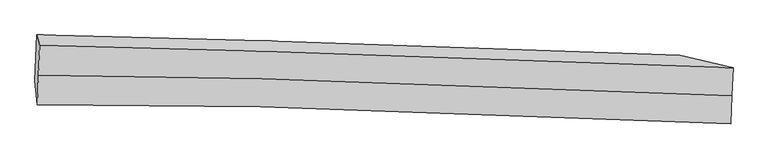
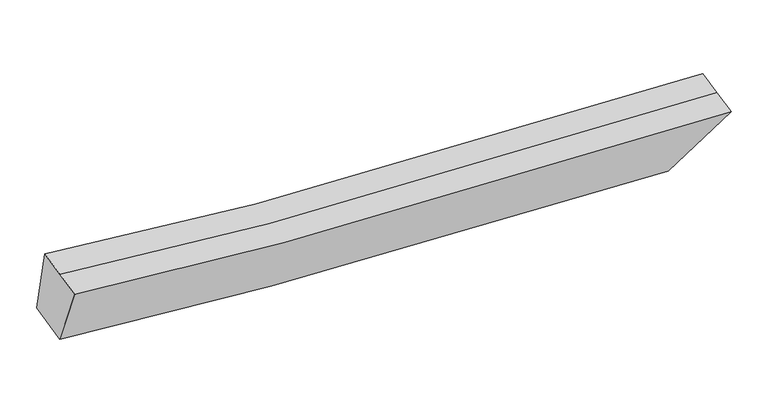
"""IFC4 building model written with IfcOpenShell, lengths in millimetres: proxy geometry."""

from ifc_helpers import new_model, si_unit, frame, origin, place, context, project, spatial, source, transform, mapped, element, save
from ifc_brep_helpers import plane_surface, spline_curve, spline_surface, advanced_brep


def generic_models_a07c6cf4(model_context):
    return source(origin(), model_context, "Body", "AdvancedBrep", [
        advanced_brep(
        [(-2752.6415755, -2039.1648853, 3536.5847514), (-2765.1178626, -2358.047794, 3488.144786), (4639.8819685, -2558.2460395, 3237.7411033), (4651.5852089, -2259.1215211, 3283.1796668), (-2790.8930889, -2099.1620744, 2799.9153134), (4076.7411727, -2289.3925473, 2547.3392186), (-2771.7955435, -1611.0456355, 2874.0627284), (4094.7274283, -1829.6796951, 2617.1719817), (-2740.1652885, -1720.2819767, 3585.0247167), (4663.2884494, -1959.9970028, 3328.6182303)],
        [
            (0, 1),
            (1, 2, spline_curve(3, [(-2765.1178626, -2358.047794, 3488.144786), (-1985.041332789, -2357.794145397, 3408.773298786), (-1190.040300818, -2365.075467096, 3346.603604166), (1233.945533398, -2409.418411782, 3212.021407046), (2907.277778513, -2468.869838435, 3190.723207486), (4639.8819685, -2558.2460395, 3237.7411033)], [4, 2, 4], [0.0, 8.130509945285239, 24.333398700771575])),
            (2, 3),
            (3, 0, spline_curve(3, [(4651.5852089, -2259.1215211, 3283.1796668), (2918.613791241, -2179.131334834, 3234.735986988), (1245.273096299, -2119.895873674, 3256.001380266), (-1178.186616581, -2062.105741308, 3392.626274551), (-1972.921516786, -2048.022323813, 3455.829242981), (-2752.6415755, -2039.1648853, 3536.5847514)], [4, 2, 4], [0.0, 16.202888755486335, 24.333398700771575])),
            (1, 4),
            (4, 5, spline_curve(3, [(-2790.8930889, -2099.1620744, 2799.9153134), (-1963.467103792, -2100.075877816, 2720.223121587), (-1156.935107261, -2107.763628836, 2657.759034744), (1194.361799785, -2151.045326362, 2522.374514694), (2677.041223816, -2206.76773279, 2500.646570045), (4076.7411727, -2289.3925473, 2547.3392186)], [4, 2, 4], [0.0, 7.836312885526584, 23.452910957705306])),
            (5, 2),
            (4, 6),
            (6, 7, spline_curve(3, [(-2771.7955435, -1611.0456355, 2874.0627284), (-1945.106800815, -1630.802708169, 2791.508146456), (-1139.10706797, -1652.094650568, 2726.977512549), (1211.21032411, -1720.411879108, 2587.789965406), (2694.051581755, -1771.99795707, 2566.690350537), (4094.7274283, -1829.6796951, 2617.1719817)], [4, 2, 4], [0.0, 7.541509130794423, 22.570607467437515])),
            (7, 5),
            (6, 8),
            (8, 9, spline_curve(3, [(-2740.1652885, -1720.2819767, 3585.0247167), (-1960.801700872, -1738.250502223, 3502.885186861), (-1166.332932597, -1759.136015418, 3438.64894506), (1256.600659705, -1830.373335471, 3299.981352939), (2929.949804328, -1889.39283093, 3278.748766023), (4663.2884494, -1959.9970028, 3328.6182303)], [4, 2, 4], [0.0, 7.835832334899706, 23.451472741642796])),
            (9, 7),
            (8, 0),
            (3, 9),
        ],
        [
            spline_surface(3, 3, [[(-2752.6415755, -2039.1648853, 3536.5847514), (-1972.921516701, -2048.022323776, 3455.82924285), (-1178.186616709, -2062.105741364, 3392.62627461), (1245.273096554, -2119.895873563, 3256.001380149), (2918.613791326, -2179.131334564, 3234.735986829), (4651.5852089, -2259.1215211, 3283.1796668)], [(-2756.800337848, -2145.459188184, 3520.438096296), (-1976.961455352, -2151.279597617, 3440.143928186), (-1182.137844744, -2163.095649997, 3377.285384463), (1241.497242165, -2216.403386272, 3241.341389158), (2914.835120387, -2275.710835785, 3220.06506041), (4647.684128752, -2358.829693894, 3268.033478966)], [(-2760.959100252, -2251.753491116, 3504.291441104), (-1981.001394059, -2254.536871505, 3424.458613435), (-1186.089072777, -2264.085558549, 3361.944494271), (1237.721387777, -2312.910898901, 3226.68139812), (2911.056449492, -2372.290337023, 3205.394133994), (4643.783048648, -2458.537866706, 3252.887291134)], [(-2765.1178626, -2358.047794, 3488.144786), (-1985.04133271, -2357.794145345, 3408.773298771), (-1190.040300813, -2365.075467182, 3346.603604124), (1233.945533388, -2409.41841161, 3212.021407129), (2907.277778553, -2468.869838244, 3190.723207575), (4639.8819685, -2558.2460395, 3237.7411033)]], [4, 4], [4, 2, 4], [0.0, 0.9746755440313392], [0.0, 8.130509945285239, 24.333398700771575]),
            spline_surface(3, 3, [[(-2765.1178626, -2358.047794, 3488.144786), (-1985.04133271, -2357.794145345, 3408.773298771), (-1190.040300813, -2365.075467182, 3346.603604124), (1233.945533388, -2409.41841161, 3212.021407129), (2907.277778553, -2468.869838244, 3190.723207575), (4639.8819685, -2558.2460395, 3237.7411033)], [(-2773.7096047, -2271.752554127, 3258.73496179), (-1977.849923065, -2271.888056203, 3179.256573056), (-1179.005236253, -2279.304854389, 3116.988747668), (1220.750955473, -2323.294049808, 2982.139109648), (2830.532260221, -2381.502469806, 2960.697661719), (4452.168369897, -2468.62820877, 3007.607141742)], [(-2782.3013468, -2185.457314273, 3029.32513761), (-1970.658513421, -2185.981967081, 2949.73984737), (-1167.97017173, -2193.534241671, 2887.373891207), (1207.55637752, -2237.16968808, 2752.256812162), (2753.786741899, -2294.13510136, 2730.672115836), (4264.454771303, -2379.01037803, 2777.473180158)], [(-2790.8930889, -2099.1620744, 2799.9153134), (-1963.467103776, -2100.075877938, 2720.223121654), (-1156.93510717, -2107.763628878, 2657.759034751), (1194.361799605, -2151.045326277, 2522.374514682), (2677.041223567, -2206.767732922, 2500.64656998), (4076.7411727, -2289.3925473, 2547.3392186)]], [4, 4], [4, 2, 4], [0.0, 2.422613628567124], [0.0, 7.836312885526584, 23.452910957705306]),
            spline_surface(3, 3, [[(-2790.8930889, -2099.1620744, 2799.9153134), (-1963.467103776, -2100.075877938, 2720.223121654), (-1156.93510717, -2107.763628878, 2657.759034751), (1194.361799605, -2151.045326277, 2522.374514682), (2677.041223567, -2206.767732922, 2500.64656998), (4076.7411727, -2289.3925473, 2547.3392186)], [(-2784.527240458, -1936.456594793, 2824.631118401), (-1957.347002837, -1943.651488063, 2743.984796596), (-1150.992427463, -1955.873969419, 2680.831860656), (1199.977974433, -2007.500843956, 2544.17966496), (2682.711342991, -2061.844474254, 2522.661163527), (4082.736591233, -2136.1549299, 2570.616806298)], [(-2778.161391942, -1773.751115107, 2849.346923399), (-1951.226901823, -1787.227098109, 2767.746471534), (-1145.049747697, -1803.984309935, 2703.904686578), (1205.59414932, -1863.956361612, 2565.984815256), (2688.381462415, -1916.921215587, 2544.675757079), (4088.732009767, -1982.9173125, 2593.894394002)], [(-2771.7955435, -1611.0456355, 2874.0627284), (-1945.106800884, -1630.802708233, 2791.508146475), (-1139.107067989, -1652.094650476, 2726.977512484), (1211.210324149, -1720.411879291, 2587.789965534), (2694.051581839, -1771.997956919, 2566.690350626), (4094.7274283, -1829.6796951, 2617.1719817)]], [4, 4], [4, 2, 4], [0.0, 1.4569684399930087], [0.0, 7.541509130794423, 22.570607467437515]),
            spline_surface(3, 3, [[(-2771.7955435, -1611.0456355, 2874.0627284), (-1945.106800884, -1630.802708233, 2791.508146475), (-1139.107067989, -1652.094650476, 2726.977512484), (1211.210324149, -1720.411879291, 2587.789965534), (2694.051581839, -1771.997956919, 2566.690350626), (4094.7274283, -1829.6796951, 2617.1719817)], [(-2761.252125146, -1647.457749211, 3111.050057818), (-1950.338434166, -1666.618639569, 3028.633826577), (-1148.182356187, -1687.775105463, 2964.201323327), (1226.340436015, -1757.065697995, 2825.187094719), (2772.684322624, -1811.129581584, 2804.043155773), (4284.247768665, -1873.118797643, 2854.320731228)], [(-2750.708706854, -1683.869862989, 3348.037387282), (-1955.57006751, -1702.434570971, 3265.759506726), (-1157.257644409, -1723.45556046, 3201.425134152), (1241.470547856, -1793.719516711, 3062.584223885), (2851.317063414, -1850.261206319, 3041.395960936), (4473.768109035, -1916.557900257, 3091.469480772)], [(-2740.1652885, -1720.2819767, 3585.0247167), (-1960.801700792, -1738.250502307, 3502.885186829), (-1166.332932606, -1759.136015446, 3438.648944995), (1256.600659721, -1830.373335415, 3299.981353069), (2929.949804199, -1889.392830984, 3278.748766083), (4663.2884494, -1959.9970028, 3328.6182303)]], [4, 4], [4, 2, 4], [0.0, 2.3720489289217066], [0.0, 7.835832334899706, 23.451472741642796]),
            spline_surface(3, 3, [[(-2740.1652885, -1720.2819767, 3585.0247167), (-1960.801700792, -1738.250502307, 3502.885186829), (-1166.332932606, -1759.136015446, 3438.648944995), (1256.600659721, -1830.373335415, 3299.981353069), (2929.949804199, -1889.392830984, 3278.748766083), (4663.2884494, -1959.9970028, 3328.6182303)], [(-2744.324050848, -1826.576279584, 3568.878061596), (-1964.841639443, -1841.507776148, 3487.199872165), (-1170.284160641, -1860.125924079, 3423.308054849), (1252.824805332, -1926.880848125, 3285.321362078), (2926.17113326, -1985.972332205, 3264.077839664), (4659.387369252, -2059.705175594, 3313.472042466)], [(-2748.482813152, -1932.870582416, 3552.731406504), (-1968.88157805, -1944.765049935, 3471.514557514), (-1174.235388674, -1961.115832731, 3407.967164756), (1249.048950944, -2023.388360853, 3270.66137114), (2922.392462264, -2082.551833343, 3249.406913248), (4655.486289048, -2159.413348306, 3298.325854634)], [(-2752.6415755, -2039.1648853, 3536.5847514), (-1972.921516701, -2048.022323776, 3455.82924285), (-1178.186616709, -2062.105741364, 3392.62627461), (1245.273096554, -2119.895873563, 3256.001380149), (2918.613791326, -2179.131334564, 3234.735986829), (4651.5852089, -2259.1215211, 3283.1796668)]], [4, 4], [4, 2, 4], [0.0, 0.9746755440313493], [0.0, 8.130273024180605, 24.332689631384973]),
            plane_surface(frame((4368.6597547, -2159.3288212, 2932.7176335), z_axis=(0.7852264804271609, 0.06285320511544674, -0.616010429329479), x_axis=(0.6180011098849012, -0.14164924742270255, 0.7733111397656265))),
            plane_surface(frame((-2766.9929459, -1947.1343701, 3186.7868861), z_axis=(-0.9982865683491715, 0.03157441968245661, 0.04926442403348646), x_axis=(0.03865233003452119, 0.9879195135795339, 0.150070090529991))),
        ],
        [
            (0, [[1, 2, 3, 4]]),
            (1, [[5, 6, 7, -2]]),
            (2, [[8, 9, 10, -6]]),
            (3, [[11, 12, 13, -9]]),
            (4, [[14, -4, 15, -12]]),
            (5, [[-13, -15, -3, -7, -10]]),
            (6, [[-14, -11, -8, -5, -1]]),
        ],
    ),
    ])


if __name__ == "__main__":
    model = new_model("IFC4")
    model_context = context("Model", 3, world=origin())
    ifc_project = project(units=[si_unit("LENGTHUNIT", "METRE", prefix="MILLI")], contexts=[model_context])
    site = spatial("IfcSite", under=ifc_project)
    building = spatial("IfcBuilding", under=site)
    placement = place(None, origin())
    generic_models_shape = generic_models_a07c6cf4(model_context)
    element("IfcBuildingElementProxy", 1, Name="Generic Models", at=placement, inside=building, context=model_context, shape_type="MappedRepresentation", body=[
        mapped(generic_models_shape, transform((0.0, 0.0, 0.0), x_axis=(1.0, 0.0, 0.0), y_axis=(0.0, 1.0, 0.0), z_axis=(0.0, 0.0, 1.0))),
    ])
    save(model, "model.ifc")
